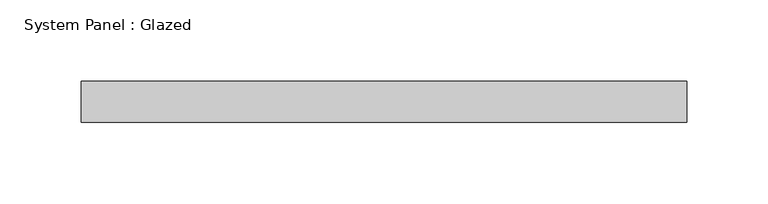
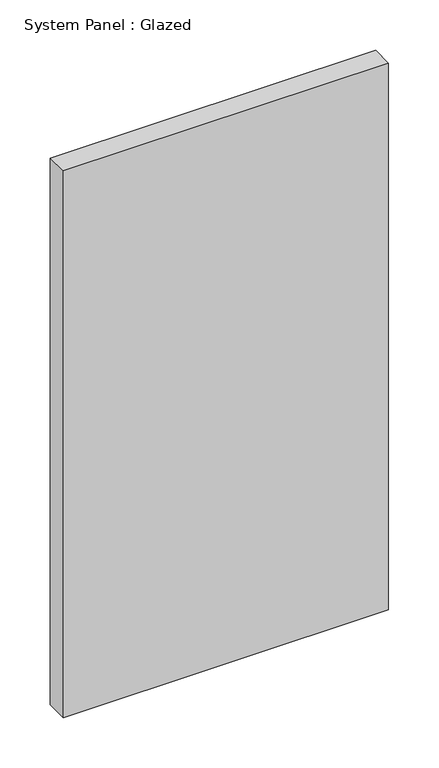
"""IFC4 building model written with IfcOpenShell, lengths in millimetres: plate geometry, System Panel : Glazed."""

from ifc_helpers import new_model, si_unit, origin, origin_with_axes, place, context, project, spatial, polyline, outline, extrude, source, transform, mapped, element, save


def system_panel_glazed_a0e45bad(model_context):
    return source(origin(), model_context, "Body", "SweptSolid", [
        extrude(outline(polyline([(186.5, -44.45), (-186.5, -44.45), (-186.5, -19.05), (186.5, -19.05), (186.5, -44.45)])), origin_with_axes(), (0.0, 0.0, 1.0), 663.0),
    ])


if __name__ == "__main__":
    model = new_model("IFC4")
    model_context = context("Model", 3, world=origin())
    ifc_project = project(units=[si_unit("LENGTHUNIT", "METRE", prefix="MILLI")], contexts=[model_context])
    site = spatial("IfcSite", under=ifc_project)
    building = spatial("IfcBuilding", under=site)
    placement = place(None, origin())
    system_panel_glazed_shape = system_panel_glazed_a0e45bad(model_context)
    element("IfcPlate", 1, ObjectType="System Panel : Glazed", at=placement, inside=building, context=model_context, shape_type="MappedRepresentation", body=[
        mapped(system_panel_glazed_shape, transform((0.0, 0.0, 0.0), x_axis=(1.0, 0.0, 0.0), y_axis=(0.0, 1.0, 0.0), z_axis=(0.0, 0.0, 1.0))),
    ])
    save(model, "model.ifc")
